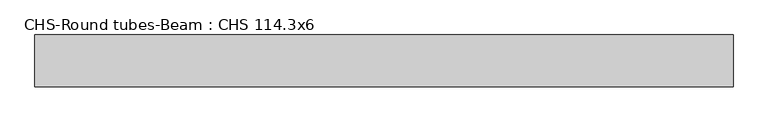
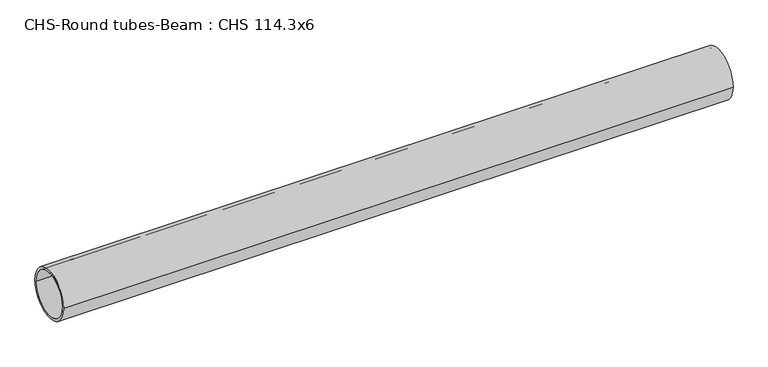
"""IFC4 building model written with IfcOpenShell, lengths in millimetres: beam geometry, CHS-Round tubes-Beam : CHS 114.3x6."""

from ifc_helpers import new_model, si_unit, point, frame, origin, origin_2d, place, context, project, spatial, circle_curve, trimmed, segment, composite_curve, outline, extrude, source, transform, mapped, element, save


def chs_round_tubes_beam_chs_114_3x6_00744c12(model_context):
    return source(origin(), model_context, "Body", "SweptSolid", [
        extrude(outline(composite_curve([segment(trimmed(circle_curve(origin_2d(), 57.15), [point((57.15, 0.0))], [point((-57.15, 0.0))], False, "CARTESIAN"), True, "CONTINUOUS"), segment(trimmed(circle_curve(origin_2d(), 57.15), [point((-57.15, 0.0))], [point((57.15, 0.0))], False, "CARTESIAN"), True, "CONTINUOUS")], self_intersect=False), holes=[composite_curve([segment(trimmed(circle_curve(origin_2d(), 51.15), [point((51.15, 0.0))], [point((-51.15, 0.0))], True, "CARTESIAN"), True, "CONTINUOUS"), segment(trimmed(circle_curve(origin_2d(), 51.15), [point((-51.15, 0.0))], [point((51.15, 0.0))], True, "CARTESIAN"), True, "CONTINUOUS")], self_intersect=False)]), frame((-756.5823095, 0.0, 0.0), z_axis=(1.0, 0.0, 0.0), x_axis=(0.0, 1.0, 0.0)), (0.0, 0.0, 1.0), 1533.6150459),
    ])


if __name__ == "__main__":
    model = new_model("IFC4")
    model_context = context("Model", 3, world=origin())
    ifc_project = project(units=[si_unit("LENGTHUNIT", "METRE", prefix="MILLI")], contexts=[model_context])
    site = spatial("IfcSite", under=ifc_project)
    building = spatial("IfcBuilding", under=site)
    placement = place(None, origin())
    chs_round_tubes_beam_chs_114_3x6_shape = chs_round_tubes_beam_chs_114_3x6_00744c12(model_context)
    element("IfcBeam", 1, ObjectType="CHS-Round tubes-Beam : CHS 114.3x6", at=placement, inside=building, context=model_context, shape_type="MappedRepresentation", body=[
        mapped(chs_round_tubes_beam_chs_114_3x6_shape, transform((0.0, 0.0, 0.0), x_axis=(1.0, 0.0, 0.0), y_axis=(0.0, 1.0, 0.0), z_axis=(0.0, 0.0, 1.0))),
    ])
    save(model, "model.ifc")
